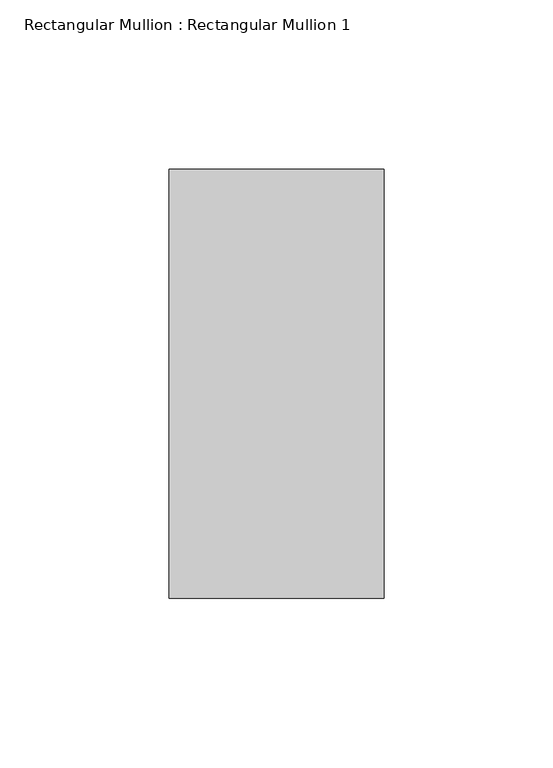
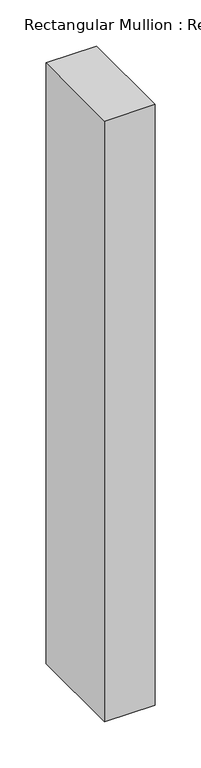
"""IFC4 building model written with IfcOpenShell, lengths in millimetres: member geometry, Rectangular Mullion : Rectangular Mullion 1."""

from ifc_helpers import new_model, si_unit, frame, origin, place, context, project, spatial, polyline, outline, extrude, source, transform, mapped, element, save


def rectangular_mullion_rectangular_mullion_1_4bff684d(model_context):
    return source(origin(), model_context, "Body", "SweptSolid", [
        extrude(outline(polyline([(0.0, 188.5), (0.0, 61.5), (-63.6, 61.5), (-63.6, 188.5), (0.0, 188.5)])), frame((0.0, 0.0, -796.0), z_axis=(0.0, 0.0, 1.0), x_axis=(1.0, 0.0, 0.0)), (0.0, 0.0, 1.0), 796.0),
    ])


if __name__ == "__main__":
    model = new_model("IFC4")
    model_context = context("Model", 3, world=origin())
    ifc_project = project(units=[si_unit("LENGTHUNIT", "METRE", prefix="MILLI")], contexts=[model_context])
    site = spatial("IfcSite", under=ifc_project)
    building = spatial("IfcBuilding", under=site)
    placement = place(None, origin())
    rectangular_mullion_rectangular_mullion_1_shape = rectangular_mullion_rectangular_mullion_1_4bff684d(model_context)
    element("IfcMember", 1, ObjectType="Rectangular Mullion : Rectangular Mullion 1", at=placement, inside=building, context=model_context, shape_type="MappedRepresentation", body=[
        mapped(rectangular_mullion_rectangular_mullion_1_shape, transform((0.0, 0.0, 0.0), x_axis=(1.0, 0.0, 0.0), y_axis=(0.0, 1.0, 0.0), z_axis=(0.0, 0.0, 1.0))),
    ])
    save(model, "model.ifc")
